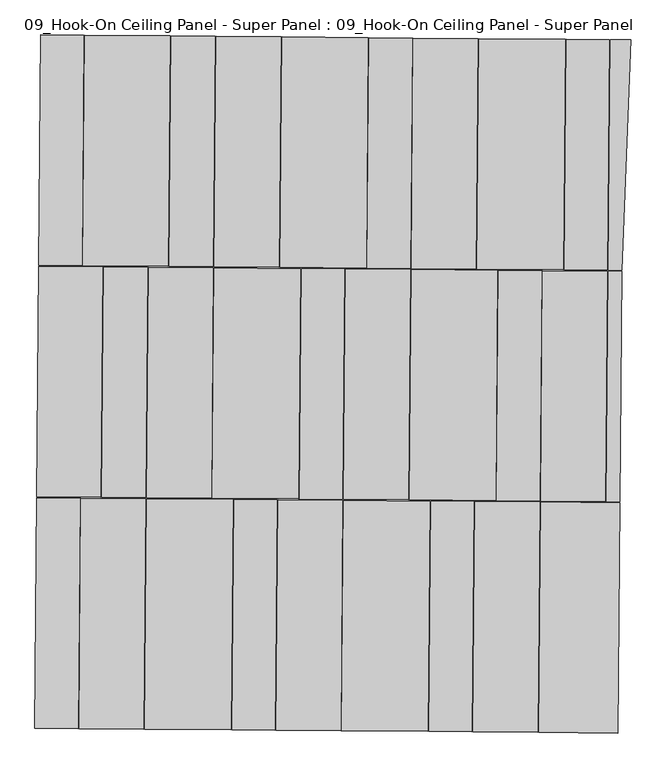
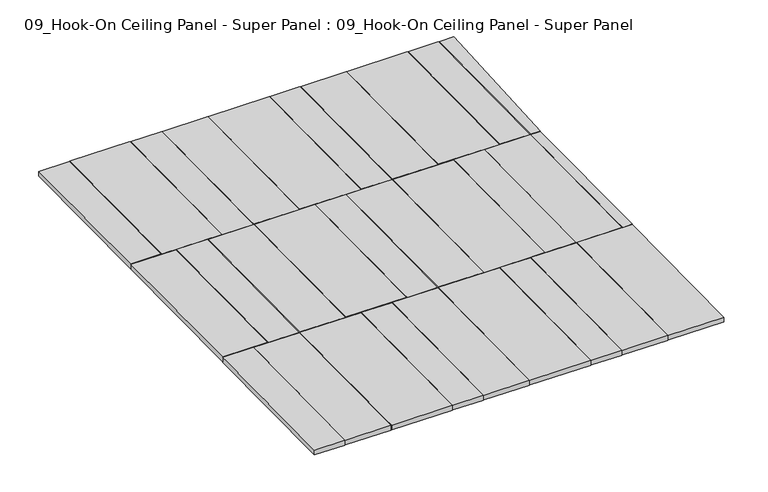
"""IFC4 building model written with IfcOpenShell, lengths in millimetres: proxy geometry, 09_Hook-On Ceiling Panel - Super Panel : 09_Hook-On Ceiling Panel - Super Panel."""

from ifc_helpers import new_model, si_unit, frame, origin, place, context, project, spatial, polyline, outline, extrude, source, transform, mapped, element, save


def proxy_09_hook_on_ceiling_panel_super_panel_09_hook_on_b880b239(model_context):
    return source(origin(), model_context, "Body", "SweptSolid", [
        extrude(outline(polyline([(-35863.5057479, 62270.7962144), (-35558.7165223, 62268.233405), (-35572.3848391, 60642.6908688), (-35877.1740646, 60645.2536782), (-35863.5057479, 62270.7962144)])), frame((0.0, 0.0, -50.8), z_axis=(0.0, 0.0, 1.0), x_axis=(1.0, 0.0, 0.0)), (0.0, 0.0, 1.0), 50.8),
        extrude(outline(polyline([(-35552.3667468, 62268.1800131), (-34949.1380712, 62263.1077862), (-34962.806388, 60637.56525), (-35566.0350635, 60642.6374769), (-35552.3667468, 62268.1800131)])), frame((0.0, 0.0, -50.8), z_axis=(0.0, 0.0, 1.0), x_axis=(1.0, 0.0, 0.0)), (0.0, 0.0, 1.0), 50.8),
        extrude(outline(polyline([(-34956.4566124, 60637.5118581), (-34942.7882957, 62263.0543944), (-34631.6492946, 62260.4381931), (-34645.3176114, 60634.8956569), (-34956.4566124, 60637.5118581)])), frame((0.0, 0.0, -50.8), z_axis=(0.0, 0.0, 1.0), x_axis=(1.0, 0.0, 0.0)), (0.0, 0.0, 1.0), 50.8),
        extrude(outline(polyline([(-31844.097836, 62236.9991656), (-31698.0529988, 62235.7711527), (-31762.5195198, 60610.6557514), (-31857.7661527, 60611.4566293), (-31844.097836, 62236.9991656)])), frame((0.0, 0.0, -50.8), z_axis=(0.0, 0.0, 1.0), x_axis=(1.0, 0.0, 0.0)), (0.0, 0.0, 1.0), 50.8),
        extrude(outline(polyline([(-32155.2368371, 62239.6153668), (-31850.4476115, 62237.0525574), (-31864.1159283, 60611.5100212), (-32168.9051538, 60614.0728306), (-32155.2368371, 62239.6153668)])), frame((0.0, 0.0, -50.8), z_axis=(0.0, 0.0, 1.0), x_axis=(1.0, 0.0, 0.0)), (0.0, 0.0, 1.0), 50.8),
        extrude(outline(polyline([(-32771.1650637, 62244.7943775), (-32161.5866126, 62239.6687587), (-32175.2549294, 60614.1262224), (-32784.8333804, 60619.2518412), (-32771.1650637, 62244.7943775)])), frame((0.0, 0.0, -50.8), z_axis=(0.0, 0.0, 1.0), x_axis=(1.0, 0.0, 0.0)), (0.0, 0.0, 1.0), 50.8),
        extrude(outline(polyline([(-33234.6986775, 62248.6919834), (-32777.5148392, 62244.8477693), (-32791.183156, 60619.3052331), (-33248.3669943, 60623.1494472), (-33234.6986775, 62248.6919834)])), frame((0.0, 0.0, -50.8), z_axis=(0.0, 0.0, 1.0), x_axis=(1.0, 0.0, 0.0)), (0.0, 0.0, 1.0), 50.8),
        extrude(outline(polyline([(-33545.8376786, 62251.3081847), (-33241.0484531, 62248.7453753), (-33254.7167698, 60623.202839), (-33559.5059954, 60625.7656484), (-33545.8376786, 62251.3081847)])), frame((0.0, 0.0, -50.8), z_axis=(0.0, 0.0, 1.0), x_axis=(1.0, 0.0, 0.0)), (0.0, 0.0, 1.0), 50.8),
        extrude(outline(polyline([(-34161.7659052, 62256.4871953), (-33552.1874542, 62251.3615765), (-33565.8557709, 60625.8190403), (-34175.434222, 60630.9446591), (-34161.7659052, 62256.4871953)])), frame((0.0, 0.0, -50.8), z_axis=(0.0, 0.0, 1.0), x_axis=(1.0, 0.0, 0.0)), (0.0, 0.0, 1.0), 50.8),
        extrude(outline(polyline([(-34625.2995191, 62260.3848012), (-34168.1156808, 62256.5405872), (-34181.7839975, 60630.9980509), (-34638.9678358, 60634.842265), (-34625.2995191, 62260.3848012)])), frame((0.0, 0.0, -50.8), z_axis=(0.0, 0.0, 1.0), x_axis=(1.0, 0.0, 0.0)), (0.0, 0.0, 1.0), 50.8),
        extrude(outline(polyline([(-35440.0617104, 59009.5705442), (-35890.8957732, 59013.3613664), (-35877.2274565, 60638.9039026), (-35426.3933937, 60635.1130804), (-35440.0617104, 59009.5705442)])), frame((0.0, 0.0, -50.8), z_axis=(0.0, 0.0, 1.0), x_axis=(1.0, 0.0, 0.0)), (0.0, 0.0, 1.0), 50.8),
        extrude(outline(polyline([(-31871.4878613, 58979.5643176), (-31857.8195446, 60605.1068538), (-31762.5729116, 60604.3059759), (-31776.2412284, 58978.7634396), (-31871.4878613, 58979.5643176)])), frame((0.0, 0.0, -50.8), z_axis=(0.0, 0.0, 1.0), x_axis=(1.0, 0.0, 0.0)), (0.0, 0.0, 1.0), 50.8),
        extrude(outline(polyline([(-35420.0436182, 60635.0596885), (-35108.9046171, 60632.4434873), (-35122.5729338, 59006.9009511), (-35433.7119349, 59009.5171523), (-35420.0436182, 60635.0596885)])), frame((0.0, 0.0, -50.8), z_axis=(0.0, 0.0, 1.0), x_axis=(1.0, 0.0, 0.0)), (0.0, 0.0, 1.0), 50.8),
        extrude(outline(polyline([(-31864.1693201, 60605.1602457), (-31877.8376369, 58979.6177094), (-32335.0214752, 58983.4619235), (-32321.3531585, 60609.0044597), (-31864.1693201, 60605.1602457)])), frame((0.0, 0.0, -50.8), z_axis=(0.0, 0.0, 1.0), x_axis=(1.0, 0.0, 0.0)), (0.0, 0.0, 1.0), 50.8),
        extrude(outline(polyline([(-32327.702934, 60609.0578516), (-32341.3712507, 58983.5153154), (-32646.1604763, 58986.0781248), (-32632.4921595, 60611.620661), (-32327.702934, 60609.0578516)])), frame((0.0, 0.0, -50.8), z_axis=(0.0, 0.0, 1.0), x_axis=(1.0, 0.0, 0.0)), (0.0, 0.0, 1.0), 50.8),
        extrude(outline(polyline([(-32638.8419351, 60611.6740529), (-32652.5102518, 58986.1315166), (-33262.0887029, 58991.2571354), (-33248.4203862, 60616.7996716), (-32638.8419351, 60611.6740529)])), frame((0.0, 0.0, -50.8), z_axis=(0.0, 0.0, 1.0), x_axis=(1.0, 0.0, 0.0)), (0.0, 0.0, 1.0), 50.8),
        extrude(outline(polyline([(-33254.7701617, 60616.8530635), (-33268.4384784, 58991.3105273), (-33725.6223167, 58995.1547413), (-33711.954, 60620.6972776), (-33254.7701617, 60616.8530635)])), frame((0.0, 0.0, -50.8), z_axis=(0.0, 0.0, 1.0), x_axis=(1.0, 0.0, 0.0)), (0.0, 0.0, 1.0), 50.8),
        extrude(outline(polyline([(-34023.0930011, 60623.3134788), (-33718.3037755, 60620.7506694), (-33731.9720923, 58995.2081332), (-34036.7613178, 58997.7709426), (-34023.0930011, 60623.3134788)])), frame((0.0, 0.0, -50.8), z_axis=(0.0, 0.0, 1.0), x_axis=(1.0, 0.0, 0.0)), (0.0, 0.0, 1.0), 50.8),
        extrude(outline(polyline([(-34639.0212277, 60628.4924895), (-34029.4427766, 60623.3668707), (-34043.1110934, 58997.8243345), (-34652.6895444, 59002.9499532), (-34639.0212277, 60628.4924895)])), frame((0.0, 0.0, -50.8), z_axis=(0.0, 0.0, 1.0), x_axis=(1.0, 0.0, 0.0)), (0.0, 0.0, 1.0), 50.8),
        extrude(outline(polyline([(-35102.5548415, 60632.3900954), (-34645.3710032, 60628.5458813), (-34659.03932, 59003.0033451), (-35116.2231583, 59006.8475592), (-35102.5548415, 60632.3900954)])), frame((0.0, 0.0, -50.8), z_axis=(0.0, 0.0, 1.0), x_axis=(1.0, 0.0, 0.0)), (0.0, 0.0, 1.0), 50.8),
        extrude(outline(polyline([(-31789.962937, 57346.8711279), (-32348.7431838, 57351.5696117), (-32335.0748671, 58977.112148), (-31776.2946202, 58972.4136641), (-31789.962937, 57346.8711279)])), frame((0.0, 0.0, -50.8), z_axis=(0.0, 0.0, 1.0), x_axis=(1.0, 0.0, 0.0)), (0.0, 0.0, 1.0), 50.8),
        extrude(outline(polyline([(-32355.0929593, 57351.6230036), (-32812.2767977, 57355.4672177), (-32798.6084809, 58981.0097539), (-32341.4246426, 58977.1655398), (-32355.0929593, 57351.6230036)])), frame((0.0, 0.0, -50.8), z_axis=(0.0, 0.0, 1.0), x_axis=(1.0, 0.0, 0.0)), (0.0, 0.0, 1.0), 50.8),
        extrude(outline(polyline([(-32818.6265732, 57355.5206095), (-33123.4157987, 57358.0834189), (-33109.747482, 58983.6259552), (-32804.9582564, 58981.0631458), (-32818.6265732, 57355.5206095)])), frame((0.0, 0.0, -50.8), z_axis=(0.0, 0.0, 1.0), x_axis=(1.0, 0.0, 0.0)), (0.0, 0.0, 1.0), 50.8),
        extrude(outline(polyline([(-33129.7655743, 57358.1368108), (-33739.3440254, 57363.2624296), (-33725.6757086, 58988.8049658), (-33116.0972575, 58983.679347), (-33129.7655743, 57358.1368108)])), frame((0.0, 0.0, -50.8), z_axis=(0.0, 0.0, 1.0), x_axis=(1.0, 0.0, 0.0)), (0.0, 0.0, 1.0), 50.8),
        extrude(outline(polyline([(-33745.6938009, 57363.3158214), (-34202.8776392, 57367.1600355), (-34189.2093225, 58992.7025718), (-33732.0254841, 58988.8583577), (-33745.6938009, 57363.3158214)])), frame((0.0, 0.0, -50.8), z_axis=(0.0, 0.0, 1.0), x_axis=(1.0, 0.0, 0.0)), (0.0, 0.0, 1.0), 50.8),
        extrude(outline(polyline([(-34209.2274147, 57367.2134274), (-34514.0166403, 57369.7762368), (-34500.3483235, 58995.318773), (-34195.559098, 58992.7559636), (-34209.2274147, 57367.2134274)])), frame((0.0, 0.0, -50.8), z_axis=(0.0, 0.0, 1.0), x_axis=(1.0, 0.0, 0.0)), (0.0, 0.0, 1.0), 50.8),
        extrude(outline(polyline([(-34520.3664158, 57369.8296286), (-35129.9448669, 57374.9552474), (-35116.2765502, 59000.4977837), (-34506.6980991, 58995.3721649), (-34520.3664158, 57369.8296286)])), frame((0.0, 0.0, -50.8), z_axis=(0.0, 0.0, 1.0), x_axis=(1.0, 0.0, 0.0)), (0.0, 0.0, 1.0), 50.8),
        extrude(outline(polyline([(-35136.2946424, 57375.0086393), (-35593.4784807, 57378.8528534), (-35579.810164, 59004.3953896), (-35122.6263257, 59000.5511755), (-35136.2946424, 57375.0086393)])), frame((0.0, 0.0, -50.8), z_axis=(0.0, 0.0, 1.0), x_axis=(1.0, 0.0, 0.0)), (0.0, 0.0, 1.0), 50.8),
        extrude(outline(polyline([(-35599.8282563, 57378.9062452), (-35904.6174818, 57381.4690546), (-35890.9491651, 59007.0115909), (-35586.1599395, 59004.4487815), (-35599.8282563, 57378.9062452)])), frame((0.0, 0.0, -50.8), z_axis=(0.0, 0.0, 1.0), x_axis=(1.0, 0.0, 0.0)), (0.0, 0.0, 1.0), 50.8),
    ])


if __name__ == "__main__":
    model = new_model("IFC4")
    model_context = context("Model", 3, world=origin())
    ifc_project = project(units=[si_unit("LENGTHUNIT", "METRE", prefix="MILLI")], contexts=[model_context])
    site = spatial("IfcSite", under=ifc_project)
    building = spatial("IfcBuilding", under=site)
    placement = place(None, origin())
    proxy_09_hook_on_ceiling_panel_super_panel_09_hook_on_shape = proxy_09_hook_on_ceiling_panel_super_panel_09_hook_on_b880b239(model_context)
    element("IfcBuildingElementProxy", 1, Name="09_Hook-On Ceiling Panel - Super Panel : 09_Hook-On Ceiling Panel - Super Panel", ObjectType="09_Hook-On Ceiling Panel - Super Panel : 09_Hook-On Ceiling Panel - Super Panel", at=placement, inside=building, context=model_context, shape_type="MappedRepresentation", body=[
        mapped(proxy_09_hook_on_ceiling_panel_super_panel_09_hook_on_shape, transform((0.0, 0.0, 0.0), x_axis=(1.0, 0.0, 0.0), y_axis=(0.0, 1.0, 0.0), z_axis=(0.0, 0.0, 1.0))),
    ])
    save(model, "model.ifc")
